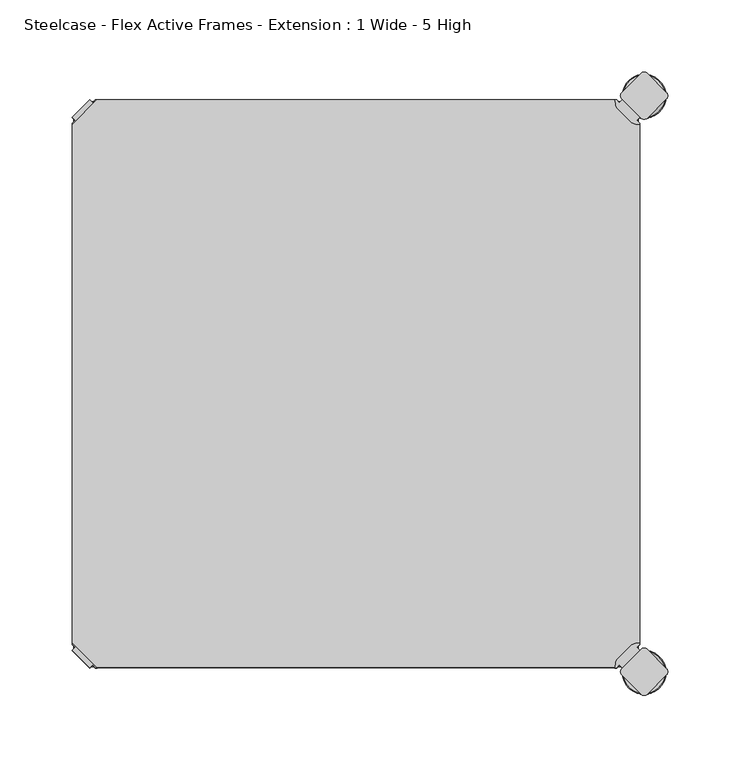
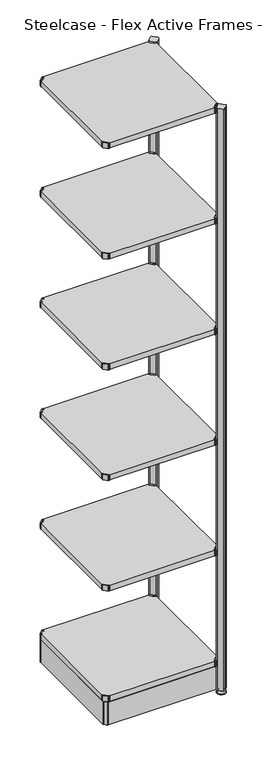
"""IFC4 building model written with IfcOpenShell, lengths in millimetres: furniture geometry, Steelcase - Flex Active Frames - Extension : 1 Wide - 5 High."""

from ifc_helpers import new_model, si_unit, point, frame, frame_2d, origin, place, context, project, spatial, polyline, circle_curve, ellipse_curve, trimmed, segment, composite_curve, outline, extrude, source, transform, mapped, element, save
from ifc_brep_helpers import plane_surface, cylinder_surface, revolved_surface, advanced_brep


def steelcase_flex_active_frames_extension_1_wide_5_high_e467c277(model_context):
    return source(origin(), model_context, "Body", "SolidModel", [
        advanced_brep(
        [(397.0189896, -396.9286835, 0.0), (410.9677105, -396.9286835, 0.0), (383.0702688, -396.9286835, 0.0), (411.9146181, -396.9286835, 2.116325), (382.1233612, -396.9286835, 2.116325), (405.7623742, -396.9286835, 8.9997406), (388.2756051, -396.9286835, 8.9997406), (404.4198582, -396.9286835, 8.9997406), (389.6181211, -396.9286835, 8.9997406), (404.4198582, -396.9286835, 12.0919909), (389.6181211, -396.9286835, 12.0919909), (403.9118582, -396.9286835, 12.5999909), (390.1261211, -396.9286835, 12.5999909), (401.03832, -396.9286835, 12.5999909), (392.9996593, -396.9286835, 12.5999909), (401.03832, -396.9286835, 22.7146261), (392.9996593, -396.9286835, 22.7146261), (397.0189896, -396.9286835, 22.7146261)],
        [
            (0, 1),
            (1, 2, circle_curve(frame((397.0189896, -396.9286835, 0.0), z_axis=(0.0, 0.0, -1.0), x_axis=(1.0, 0.0, 0.0)), 13.9487209)),
            (2, 0),
            (2, 1, circle_curve(frame((397.0189896, -396.9286835, 0.0), z_axis=(0.0, 0.0, -1.0), x_axis=(1.0, 0.0, 0.0)), 13.9487209)),
            (1, 3, circle_curve(frame((410.9677105, -396.9286835, 1.27), z_axis=(0.0, -1.0, 0.0), x_axis=(1.0, 0.0, 0.0)), 1.27)),
            (3, 4, circle_curve(frame((397.0189896, -396.9286835, 2.116325), z_axis=(0.0, 0.0, -1.0), x_axis=(1.0, 0.0, 0.0)), 14.8956285)),
            (4, 2, circle_curve(frame((383.0702688, -396.9286835, 1.27), z_axis=(0.0, -1.0, 0.0), x_axis=(-1.0, 0.0, 0.0)), 1.27)),
            (4, 3, circle_curve(frame((397.0189896, -396.9286835, 2.116325), z_axis=(0.0, 0.0, -1.0), x_axis=(1.0, 0.0, 0.0)), 14.8956285)),
            (3, 5),
            (5, 6, circle_curve(frame((397.0189896, -396.9286835, 8.9997406), z_axis=(0.0, 0.0, -1.0), x_axis=(1.0, 0.0, 0.0)), 8.7433846)),
            (6, 4),
            (6, 5, circle_curve(frame((397.0189896, -396.9286835, 8.9997406), z_axis=(0.0, 0.0, -1.0), x_axis=(1.0, 0.0, 0.0)), 8.7433846)),
            (5, 7),
            (7, 8, circle_curve(frame((397.0189896, -396.9286835, 8.9997406), z_axis=(0.0, 0.0, -1.0), x_axis=(1.0, 0.0, 0.0)), 7.4008685)),
            (8, 6),
            (8, 7, circle_curve(frame((397.0189896, -396.9286835, 8.9997406), z_axis=(0.0, 0.0, -1.0), x_axis=(1.0, 0.0, 0.0)), 7.4008685)),
            (7, 9),
            (9, 10, circle_curve(frame((397.0189896, -396.9286835, 12.0919909), z_axis=(0.0, 0.0, -1.0), x_axis=(1.0, 0.0, 0.0)), 7.4008685)),
            (10, 8),
            (10, 9, circle_curve(frame((397.0189896, -396.9286835, 12.0919909), z_axis=(0.0, 0.0, -1.0), x_axis=(1.0, 0.0, 0.0)), 7.4008685)),
            (9, 11, circle_curve(frame((403.9118582, -396.9286835, 12.0919909), z_axis=(0.0, -1.0, 0.0), x_axis=(1.0, 0.0, 0.0)), 0.508)),
            (11, 12, circle_curve(frame((397.0189896, -396.9286835, 12.5999909), z_axis=(0.0, 0.0, -1.0), x_axis=(1.0, 0.0, 0.0)), 6.8928685)),
            (12, 10, circle_curve(frame((390.1261211, -396.9286835, 12.0919909), z_axis=(0.0, -1.0, 0.0), x_axis=(-1.0, 0.0, 0.0)), 0.508)),
            (12, 11, circle_curve(frame((397.0189896, -396.9286835, 12.5999909), z_axis=(0.0, 0.0, -1.0), x_axis=(1.0, 0.0, 0.0)), 6.8928685)),
            (11, 13),
            (13, 14, circle_curve(frame((397.0189896, -396.9286835, 12.5999909), z_axis=(0.0, 0.0, -1.0), x_axis=(1.0, 0.0, 0.0)), 4.0193303)),
            (14, 12),
            (14, 13, circle_curve(frame((397.0189896, -396.9286835, 12.5999909), z_axis=(0.0, 0.0, -1.0), x_axis=(1.0, 0.0, 0.0)), 4.0193303)),
            (13, 15),
            (15, 16, circle_curve(frame((397.0189896, -396.9286835, 22.7146261), z_axis=(0.0, 0.0, -1.0), x_axis=(1.0, 0.0, 0.0)), 4.0193303)),
            (16, 14),
            (16, 15, circle_curve(frame((397.0189896, -396.9286835, 22.7146261), z_axis=(0.0, 0.0, -1.0), x_axis=(1.0, 0.0, 0.0)), 4.0193303)),
            (15, 17),
            (17, 16),
        ],
        [
            plane_surface(frame((397.0189896, -396.9286835, 0.0), z_axis=(0.0, 0.0, -1.0), x_axis=(1.0, 0.0, 0.0))),
            revolved_surface(trimmed(ellipse_curve(frame((410.9677105, -396.9286835, 1.27), z_axis=(0.0, 1.0, 0.0), x_axis=(1.0, 0.0, 0.0)), 1.27, 1.27), [point((411.9146181, -396.9286835, 2.116325))], [point((410.9677105, -396.9286835, 0.0))], True, "CARTESIAN"), (397.0189896, -396.9286835, 32.0514718), (0.0, 0.0, -1.0)),
            revolved_surface(polyline([(405.7623742, -396.9286835, 8.9997406), (411.9146181, -396.9286835, 2.116325)]), (397.0189896, -396.9286835, 32.0514718), (0.0, 0.0, -1.0)),
            plane_surface(frame((397.0189896, -396.9286835, 8.9997406), z_axis=(0.0, 0.0, 1.0), x_axis=(1.0, 0.0, 0.0))),
            cylinder_surface(frame((397.0189896, -396.9286835, 32.0514718), z_axis=(0.0, 0.0, -1.0), x_axis=(1.0, 0.0, 0.0)), 7.4008685),
            revolved_surface(trimmed(ellipse_curve(frame((403.9118582, -396.9286835, 12.0919909), z_axis=(0.0, 1.0, 0.0), x_axis=(1.0, 0.0, 0.0)), 0.508, 0.508), [point((403.9118582, -396.9286835, 12.5999909))], [point((404.4198582, -396.9286835, 12.0919909))], True, "CARTESIAN"), (397.0189896, -396.9286835, 32.0514718), (0.0, 0.0, -1.0)),
            plane_surface(frame((397.0189896, -396.9286835, 12.5999909), z_axis=(0.0, 0.0, 1.0), x_axis=(1.0, 0.0, 0.0))),
            cylinder_surface(frame((397.0189896, -396.9286835, 32.0514718), z_axis=(0.0, 0.0, -1.0), x_axis=(1.0, 0.0, 0.0)), 4.0193303),
            plane_surface(frame((397.0189896, -396.9286835, 22.7146261), z_axis=(0.0, 0.0, 1.0), x_axis=(1.0, 0.0, 0.0))),
        ],
        [
            (0, [[1, 2, 3]]),
            (0, [[-3, 4, -1]]),
            (1, [[-2, 5, 6, 7]]),
            (1, [[-4, -7, 8, -5]]),
            (2, [[-6, 9, 10, 11]]),
            (2, [[-8, -11, 12, -9]]),
            (3, [[-10, 13, 14, 15]]),
            (3, [[-12, -15, 16, -13]]),
            (4, [[-14, 17, 18, 19]]),
            (4, [[-16, -19, 20, -17]]),
            (5, [[-18, 21, 22, 23]]),
            (5, [[-20, -23, 24, -21]]),
            (6, [[-22, 25, 26, 27]]),
            (6, [[-24, -27, 28, -25]]),
            (7, [[-26, 29, 30, 31]]),
            (7, [[-28, -31, 32, -29]]),
            (8, [[-30, 33, 34]]),
            (8, [[-32, -34, -33]]),
        ],
    ),
        advanced_brep(
        [(397.0189896, 2.9246323, 0.0), (383.0702688, 2.9246323, 0.0), (410.9677105, 2.9246323, 0.0), (382.1233612, 2.9246323, 2.116325), (411.9146181, 2.9246323, 2.116325), (388.2756051, 2.9246323, 8.9997406), (405.7623742, 2.9246323, 8.9997406), (389.6181211, 2.9246323, 8.9997406), (404.4198582, 2.9246323, 8.9997406), (389.6181211, 2.9246323, 12.0919909), (404.4198582, 2.9246323, 12.0919909), (390.1261211, 2.9246323, 12.5999909), (403.9118582, 2.9246323, 12.5999909), (392.9996593, 2.9246323, 12.5999909), (401.03832, 2.9246323, 12.5999909), (392.9996593, 2.9246323, 22.7146261), (401.03832, 2.9246323, 22.7146261), (397.0189896, 2.9246323, 22.7146261)],
        [
            (0, 1),
            (1, 2, circle_curve(frame((397.0189896, 2.9246323, 0.0), z_axis=(0.0, 0.0, -1.0), x_axis=(1.0, 0.0, 0.0)), 13.9487209)),
            (2, 0),
            (2, 1, circle_curve(frame((397.0189896, 2.9246323, 0.0), z_axis=(0.0, 0.0, -1.0), x_axis=(1.0, 0.0, 0.0)), 13.9487209)),
            (1, 3, circle_curve(frame((383.0702688, 2.9246323, 1.27), z_axis=(0.0, 1.0, 0.0), x_axis=(-1.0, 0.0, 0.0)), 1.27)),
            (3, 4, circle_curve(frame((397.0189896, 2.9246323, 2.116325), z_axis=(0.0, 0.0, -1.0), x_axis=(1.0, 0.0, 0.0)), 14.8956285)),
            (4, 2, circle_curve(frame((410.9677105, 2.9246323, 1.27), z_axis=(0.0, 1.0, 0.0), x_axis=(1.0, 0.0, 0.0)), 1.27)),
            (4, 3, circle_curve(frame((397.0189896, 2.9246323, 2.116325), z_axis=(0.0, 0.0, -1.0), x_axis=(1.0, 0.0, 0.0)), 14.8956285)),
            (3, 5),
            (5, 6, circle_curve(frame((397.0189896, 2.9246323, 8.9997406), z_axis=(0.0, 0.0, -1.0), x_axis=(1.0, 0.0, 0.0)), 8.7433846)),
            (6, 4),
            (6, 5, circle_curve(frame((397.0189896, 2.9246323, 8.9997406), z_axis=(0.0, 0.0, -1.0), x_axis=(1.0, 0.0, 0.0)), 8.7433846)),
            (5, 7),
            (7, 8, circle_curve(frame((397.0189896, 2.9246323, 8.9997406), z_axis=(0.0, 0.0, -1.0), x_axis=(1.0, 0.0, 0.0)), 7.4008685)),
            (8, 6),
            (8, 7, circle_curve(frame((397.0189896, 2.9246323, 8.9997406), z_axis=(0.0, 0.0, -1.0), x_axis=(1.0, 0.0, 0.0)), 7.4008685)),
            (7, 9),
            (9, 10, circle_curve(frame((397.0189896, 2.9246323, 12.0919909), z_axis=(0.0, 0.0, -1.0), x_axis=(1.0, 0.0, 0.0)), 7.4008685)),
            (10, 8),
            (10, 9, circle_curve(frame((397.0189896, 2.9246323, 12.0919909), z_axis=(0.0, 0.0, -1.0), x_axis=(1.0, 0.0, 0.0)), 7.4008685)),
            (9, 11, circle_curve(frame((390.1261211, 2.9246323, 12.0919909), z_axis=(0.0, 1.0, 0.0), x_axis=(-1.0, 0.0, 0.0)), 0.508)),
            (11, 12, circle_curve(frame((397.0189896, 2.9246323, 12.5999909), z_axis=(0.0, 0.0, -1.0), x_axis=(1.0, 0.0, 0.0)), 6.8928685)),
            (12, 10, circle_curve(frame((403.9118582, 2.9246323, 12.0919909), z_axis=(0.0, 1.0, 0.0), x_axis=(1.0, 0.0, 0.0)), 0.508)),
            (12, 11, circle_curve(frame((397.0189896, 2.9246323, 12.5999909), z_axis=(0.0, 0.0, -1.0), x_axis=(1.0, 0.0, 0.0)), 6.8928685)),
            (11, 13),
            (13, 14, circle_curve(frame((397.0189896, 2.9246323, 12.5999909), z_axis=(0.0, 0.0, -1.0), x_axis=(1.0, 0.0, 0.0)), 4.0193303)),
            (14, 12),
            (14, 13, circle_curve(frame((397.0189896, 2.9246323, 12.5999909), z_axis=(0.0, 0.0, -1.0), x_axis=(1.0, 0.0, 0.0)), 4.0193303)),
            (13, 15),
            (15, 16, circle_curve(frame((397.0189896, 2.9246323, 22.7146261), z_axis=(0.0, 0.0, -1.0), x_axis=(1.0, 0.0, 0.0)), 4.0193303)),
            (16, 14),
            (16, 15, circle_curve(frame((397.0189896, 2.9246323, 22.7146261), z_axis=(0.0, 0.0, -1.0), x_axis=(1.0, 0.0, 0.0)), 4.0193303)),
            (15, 17),
            (17, 16),
        ],
        [
            plane_surface(frame((397.0189896, 2.9246323, 0.0), z_axis=(0.0, 0.0, -1.0), x_axis=(1.0, 0.0, 0.0))),
            revolved_surface(trimmed(ellipse_curve(frame((410.9677105, 2.9246323, 1.27), z_axis=(0.0, 1.0, 0.0), x_axis=(1.0, 0.0, 0.0)), 1.27, 1.27), [point((411.9146181, 2.9246323, 2.116325))], [point((410.9677105, 2.9246323, 0.0))], True, "CARTESIAN"), (397.0189896, 2.9246323, 32.0514718), (0.0, 0.0, -1.0)),
            revolved_surface(polyline([(405.7623742, 2.9246323, 8.9997406), (411.9146181, 2.9246323, 2.116325)]), (397.0189896, 2.9246323, 32.0514718), (0.0, 0.0, -1.0)),
            plane_surface(frame((397.0189896, 2.9246323, 8.9997406), z_axis=(0.0, 0.0, 1.0), x_axis=(1.0, 0.0, 0.0))),
            cylinder_surface(frame((397.0189896, 2.9246323, 32.0514718), z_axis=(0.0, 0.0, -1.0), x_axis=(1.0, 0.0, 0.0)), 7.4008685),
            revolved_surface(trimmed(ellipse_curve(frame((403.9118582, 2.9246323, 12.0919909), z_axis=(0.0, 1.0, 0.0), x_axis=(1.0, 0.0, 0.0)), 0.508, 0.508), [point((403.9118582, 2.9246323, 12.5999909))], [point((404.4198582, 2.9246323, 12.0919909))], True, "CARTESIAN"), (397.0189896, 2.9246323, 32.0514718), (0.0, 0.0, -1.0)),
            plane_surface(frame((397.0189896, 2.9246323, 12.5999909), z_axis=(0.0, 0.0, 1.0), x_axis=(1.0, 0.0, 0.0))),
            cylinder_surface(frame((397.0189896, 2.9246323, 32.0514718), z_axis=(0.0, 0.0, -1.0), x_axis=(1.0, 0.0, 0.0)), 4.0193303),
            plane_surface(frame((397.0189896, 2.9246323, 22.7146261), z_axis=(0.0, 0.0, 1.0), x_axis=(1.0, 0.0, 0.0))),
        ],
        [
            (0, [[1, 2, 3]]),
            (0, [[-3, 4, -1]]),
            (1, [[5, 6, 7, -2]]),
            (1, [[-7, 8, -5, -4]]),
            (2, [[9, 10, 11, -6]]),
            (2, [[-11, 12, -9, -8]]),
            (3, [[13, 14, 15, -10]]),
            (3, [[-15, 16, -13, -12]]),
            (4, [[17, 18, 19, -14]]),
            (4, [[-19, 20, -17, -16]]),
            (5, [[21, 22, 23, -18]]),
            (5, [[-23, 24, -21, -20]]),
            (6, [[25, 26, 27, -22]]),
            (6, [[-27, 28, -25, -24]]),
            (7, [[29, 30, 31, -26]]),
            (7, [[-31, 32, -29, -28]]),
            (8, [[33, 34, -30]]),
            (8, [[-34, -33, -32]]),
        ],
    ),
        extrude(outline(composite_curve([segment(polyline([(379.8559087, -1.93874), (381.9438741, 0.1493247), (394.1381758, -12.044977), (392.050245, -14.1329326), (394.0211787, -16.1038431), (394.0089928, -17.203916), (391.2738542, -16.8384277)]), True, "CONTINUOUS"), segment(trimmed(circle_curve(frame_2d((392.1149096, -10.5443729)), 6.35), [point((391.2738542, -16.8384277))], [point((387.6247514, -15.0344708))], False, "CARTESIAN"), True, "CONTINUOUS"), segment(polyline([(387.6247514, -15.0344708), (378.9554584, -6.3650612)]), True, "CONTINUOUS"), segment(trimmed(circle_curve(frame_2d((383.4456166, -1.8749633)), 6.35), [point((378.9554584, -6.3650612))], [point((377.1515853, -2.7161946))], False, "CARTESIAN"), True, "CONTINUOUS"), segment(polyline([(377.1515853, -2.7161946), (376.786013, 0.0189911), (377.8859459, 0.0311996), (379.8559087, -1.93874)]), True, "CONTINUOUS")], self_intersect=False)), frame((0.0, 0.0, 2096.4822075), z_axis=(0.0, 0.0, 1.0), x_axis=(1.0, 0.0, 0.0)), (0.0, 0.0, 1.0), 20.2281258),
        extrude(outline(composite_curve([segment(polyline([(379.8559087, -392.01526), (377.8859459, -393.9851996), (376.786013, -393.9729911), (377.1515853, -391.2378054)]), True, "CONTINUOUS"), segment(trimmed(circle_curve(frame_2d((383.4456166, -392.0790367)), 6.35), [point((377.1515853, -391.2378054))], [point((378.9554584, -387.5889388))], False, "CARTESIAN"), True, "CONTINUOUS"), segment(polyline([(378.9554584, -387.5889388), (387.6247514, -378.9195292)]), True, "CONTINUOUS"), segment(trimmed(circle_curve(frame_2d((392.1149096, -383.4096271)), 6.35), [point((387.6247514, -378.9195292))], [point((391.2738542, -377.1155723))], False, "CARTESIAN"), True, "CONTINUOUS"), segment(polyline([(391.2738542, -377.1155723), (394.0089928, -376.750084), (394.0211787, -377.8501569), (392.050245, -379.8210674), (394.1381758, -381.909023), (381.9438741, -394.1033247), (379.8559087, -392.01526)]), True, "CONTINUOUS")], self_intersect=False)), frame((0.0, 0.0, 2096.4822075), z_axis=(0.0, 0.0, 1.0), x_axis=(1.0, 0.0, 0.0)), (0.0, 0.0, 1.0), 20.2281258),
        extrude(outline(polyline([(0.0003876, -376.7599914), (0.0003876, -17.1940086), (17.1943962, 0.0), (376.8050768, 0.0), (393.9990854, -17.1940086), (393.9990854, -376.7599914), (376.8050768, -393.954), (17.1943962, -393.954), (0.0003876, -376.7599914)])), frame((0.0, 0.0, 2097.4996841), z_axis=(0.0, 0.0, 1.0), x_axis=(1.0, 0.0, 0.0)), (0.0, 0.0, 1.0), 19.0000031),
        extrude(outline(composite_curve([segment(polyline([(14.1435643, -1.93874), (16.1135271, 0.0311996), (17.21346, 0.0189911), (16.8478877, -2.7161946)]), True, "CONTINUOUS"), segment(trimmed(circle_curve(frame_2d((10.5538564, -1.8749633)), 6.35), [point((16.8478877, -2.7161946))], [point((15.0440146, -6.3650612))], False, "CARTESIAN"), True, "CONTINUOUS"), segment(polyline([(15.0440146, -6.3650612), (6.3747216, -15.0344708)]), True, "CONTINUOUS"), segment(trimmed(circle_curve(frame_2d((1.8845634, -10.5443729)), 6.35), [point((6.3747216, -15.0344708))], [point((2.7256188, -16.8384277))], False, "CARTESIAN"), True, "CONTINUOUS"), segment(polyline([(2.7256188, -16.8384277), (-0.0095198, -17.203916), (-0.0217057, -16.1038431), (1.949228, -14.1329326), (-0.1387028, -12.044977), (12.0555989, 0.1493247), (14.1435643, -1.93874)]), True, "CONTINUOUS")], self_intersect=False)), frame((0.0, 0.0, 2096.4822075), z_axis=(0.0, 0.0, 1.0), x_axis=(1.0, 0.0, 0.0)), (0.0, 0.0, 1.0), 20.2281258),
        extrude(outline(composite_curve([segment(polyline([(14.1435643, -392.01526), (12.0555989, -394.1033247), (-0.1387028, -381.909023), (1.949228, -379.8210674), (-0.0217057, -377.8501569), (-0.0095198, -376.750084), (2.7256188, -377.1155723)]), True, "CONTINUOUS"), segment(trimmed(circle_curve(frame_2d((1.8845634, -383.4096271)), 6.35), [point((2.7256188, -377.1155723))], [point((6.3747216, -378.9195292))], False, "CARTESIAN"), True, "CONTINUOUS"), segment(polyline([(6.3747216, -378.9195292), (15.0440146, -387.5889388)]), True, "CONTINUOUS"), segment(trimmed(circle_curve(frame_2d((10.5538564, -392.0790367)), 6.35), [point((15.0440146, -387.5889388))], [point((16.8478877, -391.2378054))], False, "CARTESIAN"), True, "CONTINUOUS"), segment(polyline([(16.8478877, -391.2378054), (17.21346, -393.9729911), (16.1135271, -393.9851996), (14.1435643, -392.01526)]), True, "CONTINUOUS")], self_intersect=False)), frame((0.0, 0.0, 2096.4822075), z_axis=(0.0, 0.0, 1.0), x_axis=(1.0, 0.0, 0.0)), (0.0, 0.0, 1.0), 20.2281258),
        extrude(outline(composite_curve([segment(polyline([(379.8559087, -1.93874), (381.9438741, 0.1493247), (394.1381758, -12.044977), (392.050245, -14.1329326), (394.0211787, -16.1038431), (394.0089928, -17.203916), (391.2738542, -16.8384277)]), True, "CONTINUOUS"), segment(trimmed(circle_curve(frame_2d((392.1149096, -10.5443729)), 6.35), [point((391.2738542, -16.8384277))], [point((387.6247514, -15.0344708))], False, "CARTESIAN"), True, "CONTINUOUS"), segment(polyline([(387.6247514, -15.0344708), (378.9554584, -6.3650612)]), True, "CONTINUOUS"), segment(trimmed(circle_curve(frame_2d((383.4456166, -1.8749633)), 6.35), [point((378.9554584, -6.3650612))], [point((377.1515853, -2.7161946))], False, "CARTESIAN"), True, "CONTINUOUS"), segment(polyline([(377.1515853, -2.7161946), (376.786013, 0.0189911), (377.8859459, 0.0311996), (379.8559087, -1.93874)]), True, "CONTINUOUS")], self_intersect=False)), frame((0.0, 0.0, 1696.4822044), z_axis=(0.0, 0.0, 1.0), x_axis=(1.0, 0.0, 0.0)), (0.0, 0.0, 1.0), 20.2281258),
        extrude(outline(composite_curve([segment(polyline([(379.8559087, -392.01526), (377.8859459, -393.9851996), (376.786013, -393.9729911), (377.1515853, -391.2378054)]), True, "CONTINUOUS"), segment(trimmed(circle_curve(frame_2d((383.4456166, -392.0790367)), 6.35), [point((377.1515853, -391.2378054))], [point((378.9554584, -387.5889388))], False, "CARTESIAN"), True, "CONTINUOUS"), segment(polyline([(378.9554584, -387.5889388), (387.6247514, -378.9195292)]), True, "CONTINUOUS"), segment(trimmed(circle_curve(frame_2d((392.1149096, -383.4096271)), 6.35), [point((387.6247514, -378.9195292))], [point((391.2738542, -377.1155723))], False, "CARTESIAN"), True, "CONTINUOUS"), segment(polyline([(391.2738542, -377.1155723), (394.0089928, -376.750084), (394.0211787, -377.8501569), (392.050245, -379.8210674), (394.1381758, -381.909023), (381.9438741, -394.1033247), (379.8559087, -392.01526)]), True, "CONTINUOUS")], self_intersect=False)), frame((0.0, 0.0, 1696.4822044), z_axis=(0.0, 0.0, 1.0), x_axis=(1.0, 0.0, 0.0)), (0.0, 0.0, 1.0), 20.2281258),
        extrude(outline(polyline([(0.0003876, -376.7599914), (0.0003876, -17.1940086), (17.1943962, 0.0), (376.8050768, 0.0), (393.9990854, -17.1940086), (393.9990854, -376.7599914), (376.8050768, -393.954), (17.1943962, -393.954), (0.0003876, -376.7599914)])), frame((0.0, 0.0, 1697.4996811), z_axis=(0.0, 0.0, 1.0), x_axis=(1.0, 0.0, 0.0)), (0.0, 0.0, 1.0), 19.0000031),
        extrude(outline(composite_curve([segment(polyline([(14.1435643, -1.93874), (16.1135271, 0.0311996), (17.21346, 0.0189911), (16.8478877, -2.7161946)]), True, "CONTINUOUS"), segment(trimmed(circle_curve(frame_2d((10.5538564, -1.8749633)), 6.35), [point((16.8478877, -2.7161946))], [point((15.0440146, -6.3650612))], False, "CARTESIAN"), True, "CONTINUOUS"), segment(polyline([(15.0440146, -6.3650612), (6.3747216, -15.0344708)]), True, "CONTINUOUS"), segment(trimmed(circle_curve(frame_2d((1.8845634, -10.5443729)), 6.35), [point((6.3747216, -15.0344708))], [point((2.7256188, -16.8384277))], False, "CARTESIAN"), True, "CONTINUOUS"), segment(polyline([(2.7256188, -16.8384277), (-0.0095198, -17.203916), (-0.0217057, -16.1038431), (1.949228, -14.1329326), (-0.1387028, -12.044977), (12.0555989, 0.1493247), (14.1435643, -1.93874)]), True, "CONTINUOUS")], self_intersect=False)), frame((0.0, 0.0, 1696.4822044), z_axis=(0.0, 0.0, 1.0), x_axis=(1.0, 0.0, 0.0)), (0.0, 0.0, 1.0), 20.2281258),
        extrude(outline(composite_curve([segment(polyline([(14.1435643, -392.01526), (12.0555989, -394.1033247), (-0.1387028, -381.909023), (1.949228, -379.8210674), (-0.0217057, -377.8501569), (-0.0095198, -376.750084), (2.7256188, -377.1155723)]), True, "CONTINUOUS"), segment(trimmed(circle_curve(frame_2d((1.8845634, -383.4096271)), 6.35), [point((2.7256188, -377.1155723))], [point((6.3747216, -378.9195292))], False, "CARTESIAN"), True, "CONTINUOUS"), segment(polyline([(6.3747216, -378.9195292), (15.0440146, -387.5889388)]), True, "CONTINUOUS"), segment(trimmed(circle_curve(frame_2d((10.5538564, -392.0790367)), 6.35), [point((15.0440146, -387.5889388))], [point((16.8478877, -391.2378054))], False, "CARTESIAN"), True, "CONTINUOUS"), segment(polyline([(16.8478877, -391.2378054), (17.21346, -393.9729911), (16.1135271, -393.9851996), (14.1435643, -392.01526)]), True, "CONTINUOUS")], self_intersect=False)), frame((0.0, 0.0, 1696.4822044), z_axis=(0.0, 0.0, 1.0), x_axis=(1.0, 0.0, 0.0)), (0.0, 0.0, 1.0), 20.2281258),
        extrude(outline(composite_curve([segment(polyline([(379.8559087, -1.93874), (381.9438741, 0.1493247), (394.1381758, -12.044977), (392.050245, -14.1329326), (394.0211787, -16.1038431), (394.0089928, -17.203916), (391.2738542, -16.8384277)]), True, "CONTINUOUS"), segment(trimmed(circle_curve(frame_2d((392.1149096, -10.5443729)), 6.35), [point((391.2738542, -16.8384277))], [point((387.6247514, -15.0344708))], False, "CARTESIAN"), True, "CONTINUOUS"), segment(polyline([(387.6247514, -15.0344708), (378.9554584, -6.3650612)]), True, "CONTINUOUS"), segment(trimmed(circle_curve(frame_2d((383.4456166, -1.8749633)), 6.35), [point((378.9554584, -6.3650612))], [point((377.1515853, -2.7161946))], False, "CARTESIAN"), True, "CONTINUOUS"), segment(polyline([(377.1515853, -2.7161946), (376.786013, 0.0189911), (377.8859459, 0.0311996), (379.8559087, -1.93874)]), True, "CONTINUOUS")], self_intersect=False)), frame((0.0, 0.0, 1296.4822014), z_axis=(0.0, 0.0, 1.0), x_axis=(1.0, 0.0, 0.0)), (0.0, 0.0, 1.0), 20.2281258),
        extrude(outline(composite_curve([segment(polyline([(379.8559087, -392.01526), (377.8859459, -393.9851996), (376.786013, -393.9729911), (377.1515853, -391.2378054)]), True, "CONTINUOUS"), segment(trimmed(circle_curve(frame_2d((383.4456166, -392.0790367)), 6.35), [point((377.1515853, -391.2378054))], [point((378.9554584, -387.5889388))], False, "CARTESIAN"), True, "CONTINUOUS"), segment(polyline([(378.9554584, -387.5889388), (387.6247514, -378.9195292)]), True, "CONTINUOUS"), segment(trimmed(circle_curve(frame_2d((392.1149096, -383.4096271)), 6.35), [point((387.6247514, -378.9195292))], [point((391.2738542, -377.1155723))], False, "CARTESIAN"), True, "CONTINUOUS"), segment(polyline([(391.2738542, -377.1155723), (394.0089928, -376.750084), (394.0211787, -377.8501569), (392.050245, -379.8210674), (394.1381758, -381.909023), (381.9438741, -394.1033247), (379.8559087, -392.01526)]), True, "CONTINUOUS")], self_intersect=False)), frame((0.0, 0.0, 1296.4822014), z_axis=(0.0, 0.0, 1.0), x_axis=(1.0, 0.0, 0.0)), (0.0, 0.0, 1.0), 20.2281258),
        extrude(outline(polyline([(0.0003876, -376.7599914), (0.0003876, -17.1940086), (17.1943962, 0.0), (376.8050768, 0.0), (393.9990854, -17.1940086), (393.9990854, -376.7599914), (376.8050768, -393.954), (17.1943962, -393.954), (0.0003876, -376.7599914)])), frame((0.0, 0.0, 1297.499678), z_axis=(0.0, 0.0, 1.0), x_axis=(1.0, 0.0, 0.0)), (0.0, 0.0, 1.0), 19.0000031),
        extrude(outline(composite_curve([segment(polyline([(14.1435643, -1.93874), (16.1135271, 0.0311996), (17.21346, 0.0189911), (16.8478877, -2.7161946)]), True, "CONTINUOUS"), segment(trimmed(circle_curve(frame_2d((10.5538564, -1.8749633)), 6.35), [point((16.8478877, -2.7161946))], [point((15.0440146, -6.3650612))], False, "CARTESIAN"), True, "CONTINUOUS"), segment(polyline([(15.0440146, -6.3650612), (6.3747216, -15.0344708)]), True, "CONTINUOUS"), segment(trimmed(circle_curve(frame_2d((1.8845634, -10.5443729)), 6.35), [point((6.3747216, -15.0344708))], [point((2.7256188, -16.8384277))], False, "CARTESIAN"), True, "CONTINUOUS"), segment(polyline([(2.7256188, -16.8384277), (-0.0095198, -17.203916), (-0.0217057, -16.1038431), (1.949228, -14.1329326), (-0.1387028, -12.044977), (12.0555989, 0.1493247), (14.1435643, -1.93874)]), True, "CONTINUOUS")], self_intersect=False)), frame((0.0, 0.0, 1296.4822014), z_axis=(0.0, 0.0, 1.0), x_axis=(1.0, 0.0, 0.0)), (0.0, 0.0, 1.0), 20.2281258),
        extrude(outline(composite_curve([segment(polyline([(14.1435643, -392.01526), (12.0555989, -394.1033247), (-0.1387028, -381.909023), (1.949228, -379.8210674), (-0.0217057, -377.8501569), (-0.0095198, -376.750084), (2.7256188, -377.1155723)]), True, "CONTINUOUS"), segment(trimmed(circle_curve(frame_2d((1.8845634, -383.4096271)), 6.35), [point((2.7256188, -377.1155723))], [point((6.3747216, -378.9195292))], False, "CARTESIAN"), True, "CONTINUOUS"), segment(polyline([(6.3747216, -378.9195292), (15.0440146, -387.5889388)]), True, "CONTINUOUS"), segment(trimmed(circle_curve(frame_2d((10.5538564, -392.0790367)), 6.35), [point((15.0440146, -387.5889388))], [point((16.8478877, -391.2378054))], False, "CARTESIAN"), True, "CONTINUOUS"), segment(polyline([(16.8478877, -391.2378054), (17.21346, -393.9729911), (16.1135271, -393.9851996), (14.1435643, -392.01526)]), True, "CONTINUOUS")], self_intersect=False)), frame((0.0, 0.0, 1296.4822014), z_axis=(0.0, 0.0, 1.0), x_axis=(1.0, 0.0, 0.0)), (0.0, 0.0, 1.0), 20.2281258),
        extrude(outline(composite_curve([segment(polyline([(379.8559087, -1.93874), (381.9438741, 0.1493247), (394.1381758, -12.044977), (392.050245, -14.1329326), (394.0211787, -16.1038431), (394.0089928, -17.203916), (391.2738542, -16.8384277)]), True, "CONTINUOUS"), segment(trimmed(circle_curve(frame_2d((392.1149096, -10.5443729)), 6.35), [point((391.2738542, -16.8384277))], [point((387.6247514, -15.0344708))], False, "CARTESIAN"), True, "CONTINUOUS"), segment(polyline([(387.6247514, -15.0344708), (378.9554584, -6.3650612)]), True, "CONTINUOUS"), segment(trimmed(circle_curve(frame_2d((383.4456166, -1.8749633)), 6.35), [point((378.9554584, -6.3650612))], [point((377.1515853, -2.7161946))], False, "CARTESIAN"), True, "CONTINUOUS"), segment(polyline([(377.1515853, -2.7161946), (376.786013, 0.0189911), (377.8859459, 0.0311996), (379.8559087, -1.93874)]), True, "CONTINUOUS")], self_intersect=False)), frame((0.0, 0.0, 896.4822952), z_axis=(0.0, 0.0, 1.0), x_axis=(1.0, 0.0, 0.0)), (0.0, 0.0, 1.0), 20.2281258),
        extrude(outline(composite_curve([segment(polyline([(379.8559087, -392.01526), (377.8859459, -393.9851996), (376.786013, -393.9729911), (377.1515853, -391.2378054)]), True, "CONTINUOUS"), segment(trimmed(circle_curve(frame_2d((383.4456166, -392.0790367)), 6.35), [point((377.1515853, -391.2378054))], [point((378.9554584, -387.5889388))], False, "CARTESIAN"), True, "CONTINUOUS"), segment(polyline([(378.9554584, -387.5889388), (387.6247514, -378.9195292)]), True, "CONTINUOUS"), segment(trimmed(circle_curve(frame_2d((392.1149096, -383.4096271)), 6.35), [point((387.6247514, -378.9195292))], [point((391.2738542, -377.1155723))], False, "CARTESIAN"), True, "CONTINUOUS"), segment(polyline([(391.2738542, -377.1155723), (394.0089928, -376.750084), (394.0211787, -377.8501569), (392.050245, -379.8210674), (394.1381758, -381.909023), (381.9438741, -394.1033247), (379.8559087, -392.01526)]), True, "CONTINUOUS")], self_intersect=False)), frame((0.0, 0.0, 896.4822952), z_axis=(0.0, 0.0, 1.0), x_axis=(1.0, 0.0, 0.0)), (0.0, 0.0, 1.0), 20.2281258),
        extrude(outline(composite_curve([segment(polyline([(379.8559087, -1.93874), (381.9438741, 0.1493247), (394.1381758, -12.044977), (392.050245, -14.1329326), (394.0211787, -16.1038431), (394.0089928, -17.203916), (391.2738542, -16.8384277)]), True, "CONTINUOUS"), segment(trimmed(circle_curve(frame_2d((392.1149096, -10.5443729)), 6.35), [point((391.2738542, -16.8384277))], [point((387.6247514, -15.0344708))], False, "CARTESIAN"), True, "CONTINUOUS"), segment(polyline([(387.6247514, -15.0344708), (378.9554584, -6.3650612)]), True, "CONTINUOUS"), segment(trimmed(circle_curve(frame_2d((383.4456166, -1.8749633)), 6.35), [point((378.9554584, -6.3650612))], [point((377.1515853, -2.7161946))], False, "CARTESIAN"), True, "CONTINUOUS"), segment(polyline([(377.1515853, -2.7161946), (376.786013, 0.0189911), (377.8859459, 0.0311996), (379.8559087, -1.93874)]), True, "CONTINUOUS")], self_intersect=False)), frame((0.0, 0.0, 496.4821468), z_axis=(0.0, 0.0, 1.0), x_axis=(1.0, 0.0, 0.0)), (0.0, 0.0, 1.0), 20.2281258),
        extrude(outline(composite_curve([segment(polyline([(379.8559087, -392.01526), (377.8859459, -393.9851996), (376.786013, -393.9729911), (377.1515853, -391.2378054)]), True, "CONTINUOUS"), segment(trimmed(circle_curve(frame_2d((383.4456166, -392.0790367)), 6.35), [point((377.1515853, -391.2378054))], [point((378.9554584, -387.5889388))], False, "CARTESIAN"), True, "CONTINUOUS"), segment(polyline([(378.9554584, -387.5889388), (387.6247514, -378.9195292)]), True, "CONTINUOUS"), segment(trimmed(circle_curve(frame_2d((392.1149096, -383.4096271)), 6.35), [point((387.6247514, -378.9195292))], [point((391.2738542, -377.1155723))], False, "CARTESIAN"), True, "CONTINUOUS"), segment(polyline([(391.2738542, -377.1155723), (394.0089928, -376.750084), (394.0211787, -377.8501569), (392.050245, -379.8210674), (394.1381758, -381.909023), (381.9438741, -394.1033247), (379.8559087, -392.01526)]), True, "CONTINUOUS")], self_intersect=False)), frame((0.0, 0.0, 496.4821468), z_axis=(0.0, 0.0, 1.0), x_axis=(1.0, 0.0, 0.0)), (0.0, 0.0, 1.0), 20.2281258),
        extrude(outline(composite_curve([segment(polyline([(379.8559087, -1.93874), (381.9438741, 0.1493247), (394.1381758, -12.044977), (392.050245, -14.1329326), (394.0211787, -16.1038431), (394.0089928, -17.203916), (391.2738542, -16.8384277)]), True, "CONTINUOUS"), segment(trimmed(circle_curve(frame_2d((392.1149096, -10.5443729)), 6.35), [point((391.2738542, -16.8384277))], [point((387.6247514, -15.0344708))], False, "CARTESIAN"), True, "CONTINUOUS"), segment(polyline([(387.6247514, -15.0344708), (378.9554584, -6.3650612)]), True, "CONTINUOUS"), segment(trimmed(circle_curve(frame_2d((383.4456166, -1.8749633)), 6.35), [point((378.9554584, -6.3650612))], [point((377.1515853, -2.7161946))], False, "CARTESIAN"), True, "CONTINUOUS"), segment(polyline([(377.1515853, -2.7161946), (376.786013, 0.0189911), (377.8859459, 0.0311996), (379.8559087, -1.93874)]), True, "CONTINUOUS")], self_intersect=False)), frame((0.0, 0.0, 96.4824829), z_axis=(0.0, 0.0, 1.0), x_axis=(1.0, 0.0, 0.0)), (0.0, 0.0, 1.0), 20.2281258),
        extrude(outline(composite_curve([segment(polyline([(379.8559087, -392.01526), (377.8859459, -393.9851996), (376.786013, -393.9729911), (377.1515853, -391.2378054)]), True, "CONTINUOUS"), segment(trimmed(circle_curve(frame_2d((383.4456166, -392.0790367)), 6.35), [point((377.1515853, -391.2378054))], [point((378.9554584, -387.5889388))], False, "CARTESIAN"), True, "CONTINUOUS"), segment(polyline([(378.9554584, -387.5889388), (387.6247514, -378.9195292)]), True, "CONTINUOUS"), segment(trimmed(circle_curve(frame_2d((392.1149096, -383.4096271)), 6.35), [point((387.6247514, -378.9195292))], [point((391.2738542, -377.1155723))], False, "CARTESIAN"), True, "CONTINUOUS"), segment(polyline([(391.2738542, -377.1155723), (394.0089928, -376.750084), (394.0211787, -377.8501569), (392.050245, -379.8210674), (394.1381758, -381.909023), (381.9438741, -394.1033247), (379.8559087, -392.01526)]), True, "CONTINUOUS")], self_intersect=False)), frame((0.0, 0.0, 96.4824829), z_axis=(0.0, 0.0, 1.0), x_axis=(1.0, 0.0, 0.0)), (0.0, 0.0, 1.0), 20.2281258),
        extrude(outline(composite_curve([segment(trimmed(circle_curve(frame_2d((410.3732751, 2.9983545)), 3.048), [point((412.5285497, 5.1536029))], [point((412.5285235, 0.8430799))], False, "CARTESIAN"), True, "CONTINUOUS"), segment(polyline([(412.5285235, 0.8430799), (399.1657586, -12.5195224)]), True, "CONTINUOUS"), segment(trimmed(circle_curve(frame_2d((397.0105103, -10.3642478)), 3.048), [point((399.1657586, -12.5195224))], [point((394.8552379, -12.5194983))], False, "CARTESIAN"), True, "CONTINUOUS"), segment(polyline([(394.8552379, -12.5194983), (381.4927586, 0.8431164)]), True, "CONTINUOUS"), segment(trimmed(circle_curve(frame_2d((383.648031, 2.998367)), 3.048), [point((381.4927586, 0.8431164))], [point((381.4927695, 5.1536284))], False, "CARTESIAN"), True, "CONTINUOUS"), segment(polyline([(381.4927695, 5.1536284), (394.8554666, 18.5163256)]), True, "CONTINUOUS"), segment(trimmed(circle_curve(frame_2d((397.0107281, 16.3610641)), 3.048), [point((394.8554666, 18.5163256))], [point((399.1660027, 18.5163124))], False, "CARTESIAN"), True, "CONTINUOUS"), segment(polyline([(399.1660027, 18.5163124), (412.5285497, 5.1536029)]), True, "CONTINUOUS")], self_intersect=False)), frame((0.0, 0.0, 12.5999909), z_axis=(0.0, 0.0, 1.0), x_axis=(1.0, 0.0, 0.0)), (0.0, 0.0, 1.0), 2103.9820091),
        extrude(outline(composite_curve([segment(polyline([(412.5285497, -399.1076029), (399.1660027, -412.4703124)]), True, "CONTINUOUS"), segment(trimmed(circle_curve(frame_2d((397.0107281, -410.3150641)), 3.048), [point((399.1660027, -412.4703124))], [point((394.8554666, -412.4703256))], False, "CARTESIAN"), True, "CONTINUOUS"), segment(polyline([(394.8554666, -412.4703256), (381.4927695, -399.1076284)]), True, "CONTINUOUS"), segment(trimmed(circle_curve(frame_2d((383.648031, -396.952367)), 3.048), [point((381.4927695, -399.1076284))], [point((381.4927586, -394.7971164))], False, "CARTESIAN"), True, "CONTINUOUS"), segment(polyline([(381.4927586, -394.7971164), (394.8552379, -381.4345017)]), True, "CONTINUOUS"), segment(trimmed(circle_curve(frame_2d((397.0105103, -383.5897522)), 3.048), [point((394.8552379, -381.4345017))], [point((399.1657586, -381.4344776))], False, "CARTESIAN"), True, "CONTINUOUS"), segment(polyline([(399.1657586, -381.4344776), (412.5285235, -394.7970799)]), True, "CONTINUOUS"), segment(trimmed(circle_curve(frame_2d((410.3732751, -396.9523545)), 3.048), [point((412.5285235, -394.7970799))], [point((412.5285497, -399.1076029))], False, "CARTESIAN"), True, "CONTINUOUS")], self_intersect=False)), frame((0.0, 0.0, 12.5999909), z_axis=(0.0, 0.0, 1.0), x_axis=(1.0, 0.0, 0.0)), (0.0, 0.0, 1.0), 2103.9820091),
        extrude(outline(polyline([(0.0003876, -376.7599914), (0.0003876, -17.1940086), (17.1943962, 0.0), (376.8050768, 0.0), (393.9990854, -17.1940086), (393.9990854, -376.7599914), (376.8050768, -393.954), (17.1943962, -393.954), (0.0003876, -376.7599914)])), frame((0.0, 0.0, 97.4999596), z_axis=(0.0, 0.0, 1.0), x_axis=(1.0, 0.0, 0.0)), (0.0, 0.0, 1.0), 19.0000031),
        extrude(outline(composite_curve([segment(polyline([(14.1435643, -1.93874), (16.1135271, 0.0311996), (17.21346, 0.0189911), (16.8478877, -2.7161946)]), True, "CONTINUOUS"), segment(trimmed(circle_curve(frame_2d((10.5538564, -1.8749633)), 6.35), [point((16.8478877, -2.7161946))], [point((15.0440146, -6.3650612))], False, "CARTESIAN"), True, "CONTINUOUS"), segment(polyline([(15.0440146, -6.3650612), (6.3747216, -15.0344708)]), True, "CONTINUOUS"), segment(trimmed(circle_curve(frame_2d((1.8845634, -10.5443729)), 6.35), [point((6.3747216, -15.0344708))], [point((2.7256188, -16.8384277))], False, "CARTESIAN"), True, "CONTINUOUS"), segment(polyline([(2.7256188, -16.8384277), (-0.0095198, -17.203916), (-0.0217057, -16.1038431), (1.949228, -14.1329326), (-0.1387028, -12.044977), (12.0555989, 0.1493247), (14.1435643, -1.93874)]), True, "CONTINUOUS")], self_intersect=False)), frame((0.0, 0.0, 96.4824829), z_axis=(0.0, 0.0, 1.0), x_axis=(1.0, 0.0, 0.0)), (0.0, 0.0, 1.0), 20.2281258),
        extrude(outline(composite_curve([segment(polyline([(14.1435643, -392.01526), (12.0555989, -394.1033247), (-0.1387028, -381.909023), (1.949228, -379.8210674), (-0.0217057, -377.8501569), (-0.0095198, -376.750084), (2.7256188, -377.1155723)]), True, "CONTINUOUS"), segment(trimmed(circle_curve(frame_2d((1.8845634, -383.4096271)), 6.35), [point((2.7256188, -377.1155723))], [point((6.3747216, -378.9195292))], False, "CARTESIAN"), True, "CONTINUOUS"), segment(polyline([(6.3747216, -378.9195292), (15.0440146, -387.5889388)]), True, "CONTINUOUS"), segment(trimmed(circle_curve(frame_2d((10.5538564, -392.0790367)), 6.35), [point((15.0440146, -387.5889388))], [point((16.8478877, -391.2378054))], False, "CARTESIAN"), True, "CONTINUOUS"), segment(polyline([(16.8478877, -391.2378054), (17.21346, -393.9729911), (16.1135271, -393.9851996), (14.1435643, -392.01526)]), True, "CONTINUOUS")], self_intersect=False)), frame((0.0, 0.0, 96.4824829), z_axis=(0.0, 0.0, 1.0), x_axis=(1.0, 0.0, 0.0)), (0.0, 0.0, 1.0), 20.2281258),
        extrude(outline(polyline([(0.0003876, -376.7599914), (0.0003876, -17.1940086), (17.1943962, 0.0), (376.8050768, 0.0), (393.9990854, -17.1940086), (393.9990854, -376.7599914), (376.8050768, -393.954), (17.1943962, -393.954), (0.0003876, -376.7599914)])), frame((0.0, 0.0, 497.4996235), z_axis=(0.0, 0.0, 1.0), x_axis=(1.0, 0.0, 0.0)), (0.0, 0.0, 1.0), 19.0000031),
        extrude(outline(composite_curve([segment(polyline([(14.1435643, -1.93874), (16.1135271, 0.0311996), (17.21346, 0.0189911), (16.8478877, -2.7161946)]), True, "CONTINUOUS"), segment(trimmed(circle_curve(frame_2d((10.5538564, -1.8749633)), 6.35), [point((16.8478877, -2.7161946))], [point((15.0440146, -6.3650612))], False, "CARTESIAN"), True, "CONTINUOUS"), segment(polyline([(15.0440146, -6.3650612), (6.3747216, -15.0344708)]), True, "CONTINUOUS"), segment(trimmed(circle_curve(frame_2d((1.8845634, -10.5443729)), 6.35), [point((6.3747216, -15.0344708))], [point((2.7256188, -16.8384277))], False, "CARTESIAN"), True, "CONTINUOUS"), segment(polyline([(2.7256188, -16.8384277), (-0.0095198, -17.203916), (-0.0217057, -16.1038431), (1.949228, -14.1329326), (-0.1387028, -12.044977), (12.0555989, 0.1493247), (14.1435643, -1.93874)]), True, "CONTINUOUS")], self_intersect=False)), frame((0.0, 0.0, 496.4821468), z_axis=(0.0, 0.0, 1.0), x_axis=(1.0, 0.0, 0.0)), (0.0, 0.0, 1.0), 20.2281258),
        extrude(outline(composite_curve([segment(polyline([(14.1435643, -392.01526), (12.0555989, -394.1033247), (-0.1387028, -381.909023), (1.949228, -379.8210674), (-0.0217057, -377.8501569), (-0.0095198, -376.750084), (2.7256188, -377.1155723)]), True, "CONTINUOUS"), segment(trimmed(circle_curve(frame_2d((1.8845634, -383.4096271)), 6.35), [point((2.7256188, -377.1155723))], [point((6.3747216, -378.9195292))], False, "CARTESIAN"), True, "CONTINUOUS"), segment(polyline([(6.3747216, -378.9195292), (15.0440146, -387.5889388)]), True, "CONTINUOUS"), segment(trimmed(circle_curve(frame_2d((10.5538564, -392.0790367)), 6.35), [point((15.0440146, -387.5889388))], [point((16.8478877, -391.2378054))], False, "CARTESIAN"), True, "CONTINUOUS"), segment(polyline([(16.8478877, -391.2378054), (17.21346, -393.9729911), (16.1135271, -393.9851996), (14.1435643, -392.01526)]), True, "CONTINUOUS")], self_intersect=False)), frame((0.0, 0.0, 496.4821468), z_axis=(0.0, 0.0, 1.0), x_axis=(1.0, 0.0, 0.0)), (0.0, 0.0, 1.0), 20.2281258),
        extrude(outline(polyline([(0.0003876, -376.7599914), (0.0003876, -17.1940086), (17.1943962, 0.0), (376.8050768, 0.0), (393.9990854, -17.1940086), (393.9990854, -376.7599914), (376.8050768, -393.954), (17.1943962, -393.954), (0.0003876, -376.7599914)])), frame((0.0, 0.0, 897.4997719), z_axis=(0.0, 0.0, 1.0), x_axis=(1.0, 0.0, 0.0)), (0.0, 0.0, 1.0), 19.0000031),
        extrude(outline(composite_curve([segment(polyline([(14.1435643, -1.93874), (16.1135271, 0.0311996), (17.21346, 0.0189911), (16.8478877, -2.7161946)]), True, "CONTINUOUS"), segment(trimmed(circle_curve(frame_2d((10.5538564, -1.8749633)), 6.35), [point((16.8478877, -2.7161946))], [point((15.0440146, -6.3650612))], False, "CARTESIAN"), True, "CONTINUOUS"), segment(polyline([(15.0440146, -6.3650612), (6.3747216, -15.0344708)]), True, "CONTINUOUS"), segment(trimmed(circle_curve(frame_2d((1.8845634, -10.5443729)), 6.35), [point((6.3747216, -15.0344708))], [point((2.7256188, -16.8384277))], False, "CARTESIAN"), True, "CONTINUOUS"), segment(polyline([(2.7256188, -16.8384277), (-0.0095198, -17.203916), (-0.0217057, -16.1038431), (1.949228, -14.1329326), (-0.1387028, -12.044977), (12.0555989, 0.1493247), (14.1435643, -1.93874)]), True, "CONTINUOUS")], self_intersect=False)), frame((0.0, 0.0, 896.4822952), z_axis=(0.0, 0.0, 1.0), x_axis=(1.0, 0.0, 0.0)), (0.0, 0.0, 1.0), 20.2281258),
        extrude(outline(composite_curve([segment(polyline([(14.1435643, -392.01526), (12.0555989, -394.1033247), (-0.1387028, -381.909023), (1.949228, -379.8210674), (-0.0217057, -377.8501569), (-0.0095198, -376.750084), (2.7256188, -377.1155723)]), True, "CONTINUOUS"), segment(trimmed(circle_curve(frame_2d((1.8845634, -383.4096271)), 6.35), [point((2.7256188, -377.1155723))], [point((6.3747216, -378.9195292))], False, "CARTESIAN"), True, "CONTINUOUS"), segment(polyline([(6.3747216, -378.9195292), (15.0440146, -387.5889388)]), True, "CONTINUOUS"), segment(trimmed(circle_curve(frame_2d((10.5538564, -392.0790367)), 6.35), [point((15.0440146, -387.5889388))], [point((16.8478877, -391.2378054))], False, "CARTESIAN"), True, "CONTINUOUS"), segment(polyline([(16.8478877, -391.2378054), (17.21346, -393.9729911), (16.1135271, -393.9851996), (14.1435643, -392.01526)]), True, "CONTINUOUS")], self_intersect=False)), frame((0.0, 0.0, 896.4822952), z_axis=(0.0, 0.0, 1.0), x_axis=(1.0, 0.0, 0.0)), (0.0, 0.0, 1.0), 20.2281258),
        extrude(outline(composite_curve([segment(polyline([(12.155908, -1.0018273), (381.8659992, -1.0019264)]), True, "CONTINUOUS"), segment(trimmed(circle_curve(frame_2d((381.8435656, -3.5418273)), 2.54), [point((381.8659992, -1.0019264))], [point((383.6396169, -1.7457761))], False, "CARTESIAN"), True, "CONTINUOUS"), segment(polyline([(383.6396169, -1.7457761), (392.2479569, -10.3541161)]), True, "CONTINUOUS"), segment(trimmed(circle_curve(frame_2d((390.4519057, -12.1501673)), 2.54), [point((392.2479569, -10.3541161))], [point((392.9919057, -12.1501687))], False, "CARTESIAN"), True, "CONTINUOUS"), segment(polyline([(392.9919057, -12.1501687), (392.9917079, -381.8355295)]), True, "CONTINUOUS"), segment(trimmed(circle_curve(frame_2d((390.4519057, -381.8038327)), 2.54), [point((392.9917079, -381.8355295))], [point((392.2479569, -383.5998839))], False, "CARTESIAN"), True, "CONTINUOUS"), segment(polyline([(392.2479569, -383.5998839), (383.6396169, -392.2082239)]), True, "CONTINUOUS"), segment(trimmed(circle_curve(frame_2d((381.8435656, -390.4121727)), 2.54), [point((383.6396169, -392.2082239))], [point((381.8659992, -392.9520736))], False, "CARTESIAN"), True, "CONTINUOUS"), segment(polyline([(381.8659992, -392.9520736), (12.155908, -392.9521727)]), True, "CONTINUOUS"), segment(trimmed(circle_curve(frame_2d((12.1559074, -390.4121727)), 2.54), [point((12.155908, -392.9521727))], [point((10.3598561, -392.2082239))], False, "CARTESIAN"), True, "CONTINUOUS"), segment(polyline([(10.3598561, -392.2082239), (1.7515161, -383.5998839)]), True, "CONTINUOUS"), segment(trimmed(circle_curve(frame_2d((3.5475673, -381.8038327)), 2.54), [point((1.7515161, -383.5998839))], [point((1.0077651, -381.8355295))], False, "CARTESIAN"), True, "CONTINUOUS"), segment(polyline([(1.0077651, -381.8355295), (1.0075673, -12.1501687)]), True, "CONTINUOUS"), segment(trimmed(circle_curve(frame_2d((3.5475673, -12.1501673)), 2.54), [point((1.0075673, -12.1501687))], [point((1.7515161, -10.3541161))], False, "CARTESIAN"), True, "CONTINUOUS"), segment(polyline([(1.7515161, -10.3541161), (10.3598561, -1.7457761)]), True, "CONTINUOUS"), segment(trimmed(circle_curve(frame_2d((12.1559074, -3.5418273)), 2.54), [point((10.3598561, -1.7457761))], [point((12.155908, -1.0018273))], False, "CARTESIAN"), True, "CONTINUOUS")], self_intersect=False)), frame((0.0, 0.0, 12.5999909), z_axis=(0.0, 0.0, 1.0), x_axis=(1.0, 0.0, 0.0)), (0.0, 0.0, 1.0), 82.39977),
    ])


if __name__ == "__main__":
    model = new_model("IFC4")
    model_context = context("Model", 3, world=origin())
    ifc_project = project(units=[si_unit("LENGTHUNIT", "METRE", prefix="MILLI")], contexts=[model_context])
    site = spatial("IfcSite", under=ifc_project)
    building = spatial("IfcBuilding", under=site)
    placement = place(None, origin())
    steelcase_flex_active_frames_extension_1_wide_5_high_shape = steelcase_flex_active_frames_extension_1_wide_5_high_e467c277(model_context)
    element("IfcFurniture", 1, ObjectType="Steelcase - Flex Active Frames - Extension : 1 Wide - 5 High", at=placement, inside=building, context=model_context, shape_type="MappedRepresentation", body=[
        mapped(steelcase_flex_active_frames_extension_1_wide_5_high_shape, transform((0.0, 0.0, 0.0), x_axis=(1.0, 0.0, 0.0), y_axis=(0.0, 1.0, 0.0), z_axis=(0.0, 0.0, 1.0))),
    ])
    save(model, "model.ifc")
